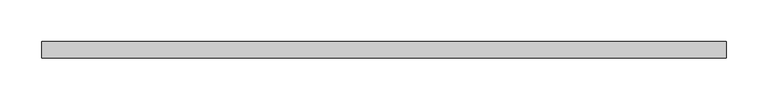
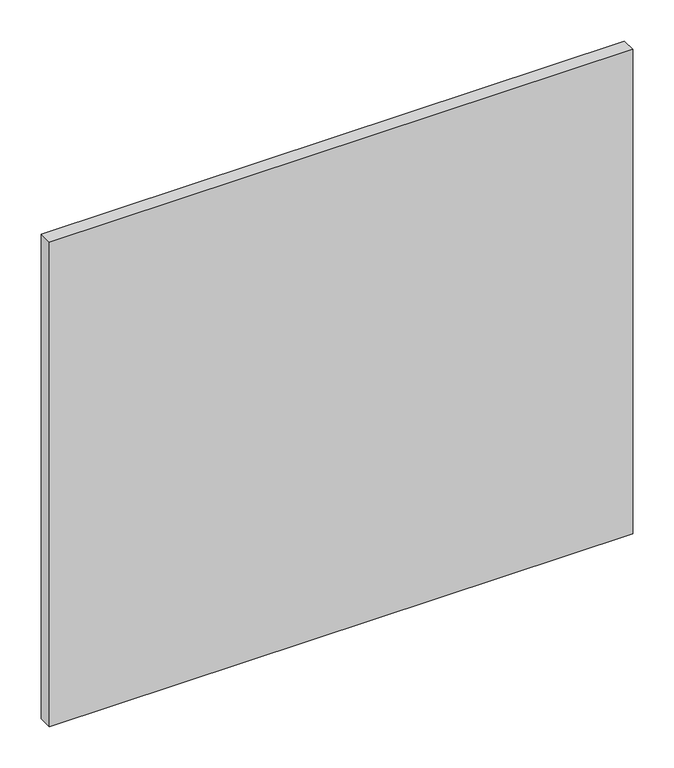
"""IFC4 building model written with IfcOpenShell, lengths in millimetres: plate geometry."""

import ifcopenshell
import ifcopenshell.guid

model = None  # the IFC model being written
_history = None  # IfcOwnerHistory: only IFC2X3 demands one
_inside = {}  # id of a spatial element -> (the spatial element, [elements in it])
_under = {}  # id of a project, library or spatial element -> (it, [spatial elements below it])
_declared = {}  # id of a project -> (the project, [libraries it declares])
_typed = {}  # id of a type object -> (the type object, [elements of that type])
_made_of = {}  # id of a material, layer set ... -> (it, [elements and type objects made of it])


def new_model(schema):
    """Start an empty IFC model of exactly this schema.

    Asked for "IFC4X3", IfcOpenShell would pick the latest addendum, in which some entities
    have other attributes; the version numbers below select the first issue.
    IFC2X3 requires an IfcOwnerHistory on every rooted entity: one is made here for all.
    """
    global model, _history
    if schema == "IFC4X3":
        model = ifcopenshell.file(schema_version=(4, 3, 0, 0))
    else:
        model = ifcopenshell.file(schema=schema)
    _inside.clear()
    _under.clear()
    _declared.clear()
    _typed.clear()
    _made_of.clear()
    _history = None
    if model.schema == "IFC2X3":
        org = make("IfcOrganization", Name="unknown")
        user = make(
            "IfcPersonAndOrganization",
            ThePerson=make("IfcPerson", FamilyName="unknown"),
            TheOrganization=org,
        )
        app = make(
            "IfcApplication",
            ApplicationDeveloper=org,
            Version="unknown",
            ApplicationFullName="unknown",
            ApplicationIdentifier="unknown",
        )
        _history = make(
            "IfcOwnerHistory",
            OwningUser=user,
            OwningApplication=app,
            ChangeAction="ADDED",
            CreationDate=0,
        )
    return model


def make(cls, **values):
    """One entity of the class cls with the attributes given. An attribute that is None is left unset."""
    return model.create_entity(
        cls, **{name: value for name, value in values.items() if value is not None}
    )


def rooted(cls, **values):
    """An entity with a GlobalId (a new one), such as an element, a storey or a relation."""
    return make(cls, GlobalId=ifcopenshell.guid.new(), OwnerHistory=_history, **values)


def si_unit(unit_type, name, prefix=None):
    """IfcSIUnit, for example si_unit("LENGTHUNIT", "METRE", prefix="MILLI")."""
    return make("IfcSIUnit", UnitType=unit_type, Prefix=prefix, Name=name)


def assignment(units):
    """IfcUnitAssignment: the units of a project."""
    return None if units is None else make("IfcUnitAssignment", Units=units)


def point(xyz):
    """IfcCartesianPoint."""
    return None if xyz is None else make("IfcCartesianPoint", Coordinates=xyz)


def direction(xyz):
    """IfcDirection."""
    return None if xyz is None else make("IfcDirection", DirectionRatios=xyz)


def frame(location, z_axis=None, x_axis=None):
    """IfcAxis2Placement3D, a coordinate frame: its origin and axes. An axis left out is left unset."""
    return make(
        "IfcAxis2Placement3D",
        Location=point(location),
        Axis=direction(z_axis),
        RefDirection=direction(x_axis),
    )


def origin():
    """The frame at (0, 0, 0) with its axes left unset."""
    return frame((0.0, 0.0, 0.0))


def origin_with_axes():
    """The frame at (0, 0, 0) with the z axis (0, 0, 1) and the x axis (1, 0, 0) written out."""
    return frame((0.0, 0.0, 0.0), z_axis=(0.0, 0.0, 1.0), x_axis=(1.0, 0.0, 0.0))


def place(relative_to, where):
    """IfcLocalPlacement: puts the frame where relative to a parent placement (None: the world)."""
    return make(
        "IfcLocalPlacement", PlacementRelTo=relative_to, RelativePlacement=where
    )


def context(
    kind, dimensions, precision=None, world=None, true_north=None, identifier=None
):
    """IfcGeometricRepresentationContext, for example the 3D "Model" context."""
    return make(
        "IfcGeometricRepresentationContext",
        ContextIdentifier=identifier,
        ContextType=kind,
        CoordinateSpaceDimension=dimensions,
        Precision=precision,
        WorldCoordinateSystem=world,
        TrueNorth=true_north,
    )


def project(units=None, contexts=None):
    """IfcProject with its units and contexts."""
    return rooted(
        "IfcProject",
        Name="project",
        RepresentationContexts=contexts,
        UnitsInContext=assignment(units),
    )


def spatial(cls, under=None, at=None, **own):
    """A site, building, storey or space (cls), placed at a placement, below another one or the project."""
    s = rooted(cls, ObjectPlacement=at, **own)
    if under is not None:
        _under.setdefault(under.id(), (under, []))[1].append(s)
    return s


def polyline(points):
    """IfcPolyline through the points."""
    return make("IfcPolyline", Points=[point(p) for p in points])


def outline(outer, holes=None, kind="AREA"):
    """IfcArbitraryClosedProfileDef: a profile drawn as a closed curve; with holes, ...WithVoids."""
    if holes is None:
        return make("IfcArbitraryClosedProfileDef", ProfileType=kind, OuterCurve=outer)
    return make(
        "IfcArbitraryProfileDefWithVoids",
        ProfileType=kind,
        OuterCurve=outer,
        InnerCurves=holes,
    )


def extrude(swept, where, along, depth):
    """IfcExtrudedAreaSolid: the profile swept, set in the frame where, extruded along a direction by depth."""
    return make(
        "IfcExtrudedAreaSolid",
        SweptArea=swept,
        Position=where,
        ExtrudedDirection=direction(along),
        Depth=depth,
    )


def shape(context_of_items, identifier, shape_type, items):
    """IfcShapeRepresentation: the items that make up one representation, for example the "Body"."""
    return make(
        "IfcShapeRepresentation",
        ContextOfItems=context_of_items,
        RepresentationIdentifier=identifier,
        RepresentationType=shape_type,
        Items=items,
    )


def source(mapping_origin, context_of_items, identifier, shape_type, items):
    """IfcRepresentationMap: a shape defined once, which mapped items show again and again."""
    return make(
        "IfcRepresentationMap",
        MappingOrigin=mapping_origin,
        MappedRepresentation=shape(context_of_items, identifier, shape_type, items),
    )


def transform(
    local_origin,
    x_axis=None,
    y_axis=None,
    z_axis=None,
    scale=None,
    scale2=None,
    scale3=None,
    uniform=True,
):
    """IfcCartesianTransformationOperator3D, or its non-uniform kind. x_axis, y_axis, z_axis: its Axis1, 2, 3."""
    if uniform:
        return make(
            "IfcCartesianTransformationOperator3D",
            Axis1=direction(x_axis),
            Axis2=direction(y_axis),
            LocalOrigin=point(local_origin),
            Scale=scale,
            Axis3=direction(z_axis),
        )
    return make(
        "IfcCartesianTransformationOperator3DnonUniform",
        Axis1=direction(x_axis),
        Axis2=direction(y_axis),
        LocalOrigin=point(local_origin),
        Scale=scale,
        Axis3=direction(z_axis),
        Scale2=scale2,
        Scale3=scale3,
    )


def mapped(mapping_source, mapping_target):
    """IfcMappedItem: shows the shape of a source again, moved by a transform."""
    return make(
        "IfcMappedItem", MappingSource=mapping_source, MappingTarget=mapping_target
    )


def made_of(thing, what):
    """Note that an element or type object is made of a material, layer set ...; save() writes the relation."""
    if what is not None:
        _made_of.setdefault(what.id(), (what, []))[1].append(thing)
    return thing


def element(
    cls,
    number,
    at=None,
    inside=None,
    cuts=None,
    type_object=None,
    material=None,
    context=None,
    identifier="Body",
    shape_type=None,
    held_by="IfcProductDefinitionShape",
    body=None,
    shapes=None,
    **own,
):
    """One element of the class cls, such as IfcWall. Its Tag is "e" and its number.

    at: its placement. inside: the storey or other place that contains it. cuts: it is an
    opening in that element (IfcRelVoidsElement). A single representation is given by context,
    identifier, shape_type and body (its items); several are given by shapes. held_by: the class
    of the entity that holds the representations. save() writes the other relations.
    """
    e = rooted(cls, Tag="e%d" % number, ObjectPlacement=at, **own)
    if body is not None:
        shapes = [shape(context, identifier, shape_type, body)]
    if shapes is not None:
        e.Representation = make(held_by, Representations=shapes)
    if inside is not None:
        _inside.setdefault(inside.id(), (inside, []))[1].append(e)
    if cuts is not None:
        rooted(
            "IfcRelVoidsElement", RelatingBuildingElement=cuts, RelatedOpeningElement=e
        )
    if type_object is not None:
        _typed.setdefault(type_object.id(), (type_object, []))[1].append(e)
    return made_of(e, material)


def aggregate(whole, parts):
    """IfcRelAggregates: a whole, such as a stair, and the parts it consists of."""
    return rooted("IfcRelAggregates", RelatingObject=whole, RelatedObjects=parts)


def save(model, path):
    """Write the relations noted so far, then the file.

    IfcRelAggregates (storeys below a building ...), IfcRelContainedInSpatialStructure (elements
    in a storey), IfcRelDefinesByType, IfcRelAssociatesMaterial and IfcRelDeclares: one each for
    every whole, place, type object, material and project.
    """
    for whole, parts in _under.values():
        aggregate(whole, parts)
    for where, things in _inside.values():
        rooted(
            "IfcRelContainedInSpatialStructure",
            RelatedElements=things,
            RelatingStructure=where,
        )
    for kind, things in _typed.values():
        rooted("IfcRelDefinesByType", RelatedObjects=things, RelatingType=kind)
    for what, things in _made_of.values():
        rooted("IfcRelAssociatesMaterial", RelatedObjects=things, RelatingMaterial=what)
    for by, libraries in _declared.values():
        rooted("IfcRelDeclares", RelatingContext=by, RelatedDefinitions=libraries)
    model.write(path)


def plate_47832fc2(model_context):
    return source(origin(), model_context, "Body", "SweptSolid", [
        extrude(outline(polyline([(410.0, 20.0), (-410.0, 20.0), (-410.0, 40.0), (410.0, 40.0), (410.0, 20.0)])), origin_with_axes(), (0.0, 0.0, 1.0), 720.0),
    ])


if __name__ == "__main__":
    model = new_model("IFC4")
    model_context = context("Model", 3, world=origin())
    ifc_project = project(units=[si_unit("LENGTHUNIT", "METRE", prefix="MILLI")], contexts=[model_context])
    site = spatial("IfcSite", under=ifc_project)
    building = spatial("IfcBuilding", under=site)
    placement = place(None, origin())
    plate_shape = plate_47832fc2(model_context)
    element("IfcPlate", 1, at=placement, inside=building, context=model_context, shape_type="MappedRepresentation", body=[
        mapped(plate_shape, transform((0.0, 0.0, 0.0), x_axis=(1.0, 0.0, 0.0), y_axis=(0.0, 1.0, 0.0), z_axis=(0.0, 0.0, 1.0))),
    ])
    save(model, "model.ifc")
